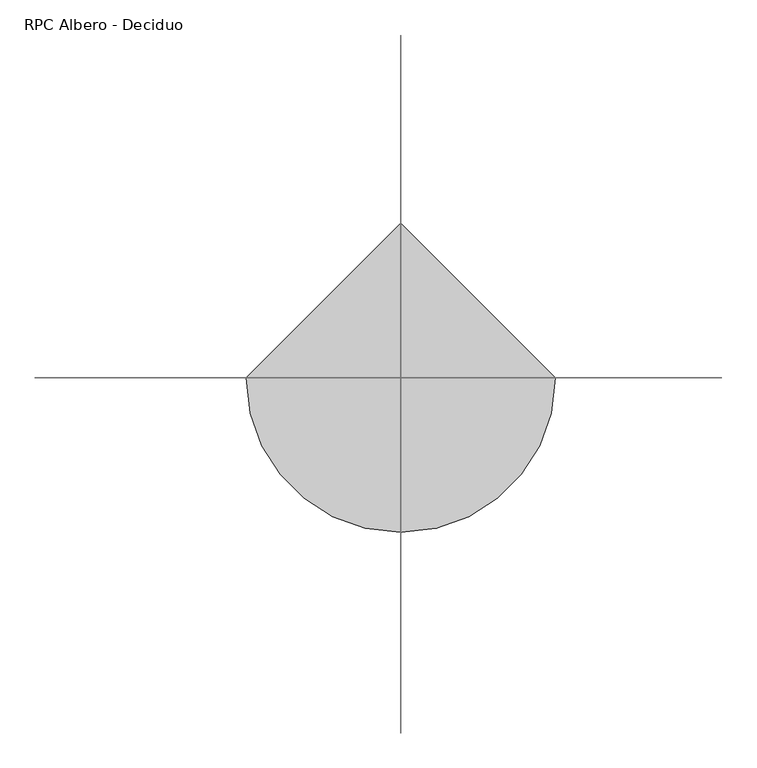
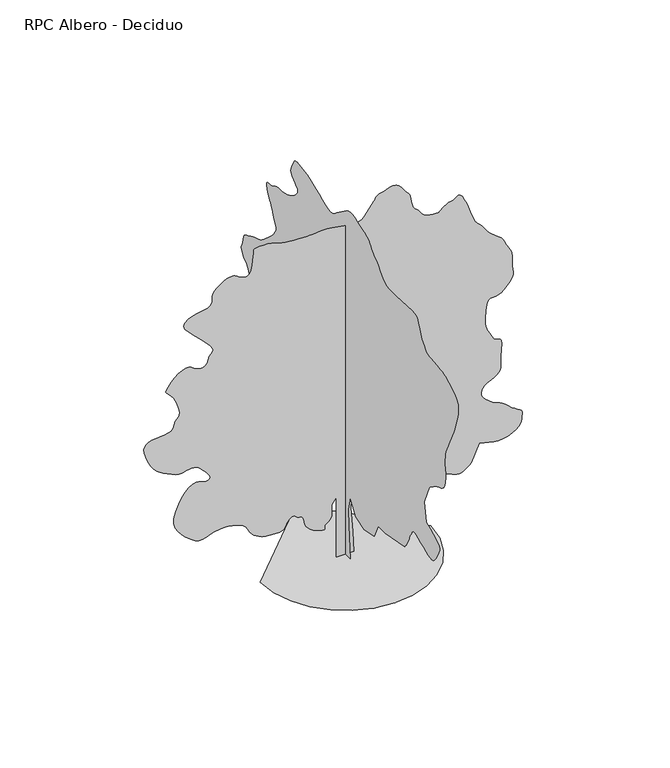
"""IFC4 building model written with IfcOpenShell, lengths in millimetres: geographic element geometry, RPC Albero - Deciduo."""

from ifc_helpers import new_model, si_unit, origin, place, context, project, spatial, triangles, source, transform, mapped, element, save


def rpc_albero_deciduo_78a4568a(model_context):
    return source(origin(), model_context, "Body", "Tessellation", [
        triangles([(0.0172504, 306.0074844, 0.0), (0.0172504, -293.5650026, 0.0), (0.0172504, -196.8600042, 1141.1200275), (0.0172504, -177.5185068, 1682.6674953), (0.0172504, -293.5650026, 2185.5350567), (0.0172504, -603.0224945, 1682.6674953), (0.0172504, -1105.8875124, 1527.9400211), (0.0172504, -1686.1174301, 1663.3275421), (0.0172504, -1918.2099495, 2146.8525341), (0.0172504, -2324.3725124, 2146.8525341), (0.0172504, -3446.150116, 2359.6049549), (0.0172504, -3487.4249222, 2409.394939), (0.0172504, -3527.7000801, 2459.5225479), (0.0172504, -3565.9250725, 2510.3249702), (0.0172504, -3601.0999603, 2562.1500046), (0.0172504, -3632.2250954, 2615.3249565), (0.0172504, -3658.2749588, 2670.2000954), (0.0172504, -3678.2499023, 2727.0751122), (0.0172504, -3697.649881, 2785.6750237), (0.0172504, -3722.1251312, 2845.2748741), (0.0172504, -3750.8251236, 2905.7249634), (0.0172504, -3782.89991, 2966.8500114), (0.0172504, -3817.5251221, 3028.475029), (0.0172504, -3853.8249413, 3090.4500252), (0.0172504, -3890.9999977, 3152.5750122), (0.0172504, -3908.7000801, 3172.6499496), (0.0172504, -3933.1750397, 3188.8501236), (0.0172504, -3971.1750458, 3197.2499016), (0.0172504, -4029.4749756, 3193.9751015), (0.0172504, -4114.8499969, 3175.1500877), (0.0172504, -4234.0499886, 3136.8500999), (0.0172504, -4393.8501183, 3075.2250824), (0.0172504, -4562.5749939, 3002.6998581), (0.0172504, -4706.2499451, 2937.9750298), (0.0172504, -4828.2750549, 2886.4249786), (0.0172504, -4932.0251175, 2853.4999535), (0.0172504, -5020.8999252, 2844.5999153), (0.0172504, -5098.249855, 2865.125116), (0.0172504, -5167.5002792, 2920.4999336), (0.0172504, -5237.3750839, 3007.7251328), (0.0172504, -5309.5997452, 3113.9000473), (0.0172504, -5377.1002762, 3229.5499649), (0.0172504, -5432.7497864, 3345.1998825), (0.0172504, -5469.4498718, 3451.3750877), (0.0172504, -5480.1248016, 3538.6249947), (0.0172504, -5457.6250122, 3597.424894), (0.0172504, -5402.6498795, 3641.7000984), (0.0172504, -5323.3000717, 3691.0249947), (0.0172504, -5223.6747574, 3744.5999222), (0.0172504, -5107.774855, 3801.5499344), (0.0172504, -4979.7251129, 3861.0500816), (0.0172504, -4843.5499947, 3922.2251266), (0.0172504, -4703.3251236, 3984.2501198), (0.0172504, -4587.2749397, 4641.8500969), (0.0172504, -4877.3749649, 5318.7747665), (0.0172504, -4886.5249878, 5331.7001404), (0.0172504, -4900.7252838, 5347.4747589), (0.0172504, -4925.0999588, 5369.0251877), (0.0172504, -4964.6748688, 5399.20009), (0.0172504, -5024.5502838, 5440.8498734), (0.0172504, -5109.8247299, 5496.8999405), (0.0172504, -5225.5252258, 5570.225116), (0.0172504, -5351.0501221, 5636.6501312), (0.0172504, -5462.3497238, 5680.0498077), (0.0172504, -5559.4501923, 5715.3499786), (0.0172504, -5642.3497833, 5757.424736), (0.0172504, -5711.0252426, 5821.1499161), (0.0172504, -5765.4998245, 5921.4001923), (0.0172504, -5805.7502747, 6073.0752365), (0.0172504, -5829.0500153, 6222.0498642), (0.0172504, -5835.7501877, 6317.5748474), (0.0172504, -5830.6249191, 6379.6001312), (0.0172504, -5818.3750854, 6428.1000778), (0.0172504, -5803.7748138, 6483.0252136), (0.0172504, -5791.5499786, 6564.3249023), (0.0172504, -5786.4247101, 6692.0002487), (0.0172504, -5788.2251816, 6832.849791), (0.0172504, -5796.1252808, 6949.6752182), (0.0172504, -5813.8247818, 7056.3751007), (0.0172504, -5845.0502014, 7166.7747574), (0.0172504, -5893.550148, 7294.7750839), (0.0172504, -5963.0249771, 7454.2502335), (0.0172504, -6057.1750443, 7659.049942), (0.0172504, -6146.5748199, 7844.1752701), (0.0172504, -6206.1752518, 7955.8748474), (0.0172504, -6246.4751175, 8024.9502823), (0.0172504, -6277.9999374, 8082.1752777), (0.0172504, -6311.225235, 8158.3502792), (0.0172504, -6356.599791, 8284.2751511), (0.0172504, -6424.6752869, 8490.6997604), (0.0172504, -6498.0248795, 8729.4997192), (0.0172504, -6547.3747742, 8935.1499573), (0.0172504, -6565.2498459, 9112.3751862), (0.0172504, -6544.199968, 9265.925116), (0.0172504, -6476.8250107, 9400.5250397), (0.0172504, -6355.6498489, 9520.9002502), (0.0172504, -6173.2249374, 9631.8248749), (0.0172504, -5996.2252762, 9723.0001236), (0.0172504, -5879.7998245, 9785.7747803), (0.0172504, -5799.2250916, 9827.2001587), (0.0172504, -5729.8002594, 9854.4496582), (0.0172504, -5646.85009, 9874.575174), (0.0172504, -5525.6749283, 9894.699527), (0.0172504, -5341.575119, 9921.9501892), (0.0172504, -5144.0999634, 9943.4244598), (0.0172504, -4990.9500092, 9951.725116), (0.0172504, -4869.5998581, 9962.0244873), (0.0172504, -4767.5499825, 9989.5995483), (0.0172504, -4672.2499855, 10049.6505341), (0.0172504, -4571.2000488, 10157.425351), (0.0172504, -4451.8750648, 10328.0998169), (0.0172504, -4347.6750298, 10515.7499908), (0.0172504, -4286.1000092, 10666.5500885), (0.0172504, -4245.8501404, 10783.8254883), (0.0172504, -4205.5749825, 10871.0003998), (0.0172504, -4143.9999619, 10931.4501984), (0.0172504, -4039.7999268, 10968.5502594), (0.0172504, -3871.650016, 10985.7003754), (0.0172504, -2943.2749969, 10927.6748474), (0.0172504, -2772.1499771, 10930.6746643), (0.0172504, -2632.8250511, 10930.2746887), (0.0172504, -2514.4500092, 10937.3254211), (0.0172504, -2406.244986, 10962.6250397), (0.0172504, -2297.3600624, 11017.0496246), (0.0172504, -2176.9724979, 11111.3752625), (0.0172504, -2034.2550465, 11256.4745453), (0.0172504, -1896.7275398, 11403.0249023), (0.0172504, -1793.7050491, 11502.8746216), (0.0172504, -1717.0749882, 11568.5752625), (0.0172504, -1658.7125622, 11612.6248993), (0.0172504, -1610.5025688, 11647.5250946), (0.0172504, -1564.320068, 11685.7995026), (0.0172504, -1512.0500027, 11739.9996826), (0.0172504, -1461.8649845, 11804.0004272), (0.0172504, -1420.8125484, 11863.6002777), (0.0172504, -1379.087479, 11919.1503754), (0.0172504, -1326.8724976, 11970.9495392), (0.0172504, -1254.3574471, 12019.4000702), (0.0172504, -1151.7299904, 12064.7996246), (0.0172504, -1009.182514, 12107.4749268), (0.0172504, -849.1549999, 12154.4999634), (0.0172504, -699.9524792, 12206.6002716), (0.0172504, -560.5600064, 12254.6496643), (0.0172504, -429.9675053, 12289.4998627), (0.0172504, -307.1550161, 12302.0246796), (0.0172504, -191.1079934, 12283.0746735), (0.0172504, -80.8134993, 12223.5248199), (0.0172504, 499.4175176, 11798.0252106), (0.0172504, 562.2325061, 11740.8496307), (0.0172504, 623.0199657, 11688.7504852), (0.0172504, 689.217524, 11646.7751404), (0.0172504, 768.2749804, 11620.0500275), (0.0172504, 867.630035, 11613.6248383), (0.0172504, 994.7275097, 11632.5748444), (0.0172504, 1157.0125168, 11681.9753174), (0.0172504, 1341.1749676, 11755.3254913), (0.0172504, 1526.6899521, 11837.8251068), (0.0172504, 1710.1749733, 11922.0246185), (0.0172504, 1888.2475342, 12000.4500641), (0.0172504, 2057.5249924, 12065.6995697), (0.0172504, 2214.6200546, 12110.3003357), (0.0172504, 2356.1550201, 12126.8249084), (0.0172504, 2484.8875694, 12135.849939), (0.0172504, 2604.4750374, 12156.3754303), (0.0172504, 2712.9251038, 12178.575238), (0.0172504, 2808.1501053, 12192.6755402), (0.0172504, 2888.1748718, 12188.8501923), (0.0172504, 2950.9251114, 12157.2753754), (0.0172504, 2994.400074, 12088.1249451), (0.0172504, 3033.2500282, 12001.2500153), (0.0172504, 3077.8499222, 11921.1246735), (0.0172504, 3119.7499809, 11845.0502472), (0.0172504, 3150.5001389, 11770.3245758), (0.0172504, 3161.6000427, 11694.2745667), (0.0172504, 3144.6249161, 11614.1503876), (0.0172504, 3091.124984, 11527.2498779), (0.0172504, 3009.2500397, 11447.6245056), (0.0172504, 2921.5998665, 11385.2504059), (0.0172504, 2841.4251091, 11331.3502075), (0.0172504, 2781.8749649, 11277.1000305), (0.0172504, 2756.1750801, 11213.7248291), (0.0172504, 2777.4749428, 11132.4251404), (0.0172504, 2859.0249069, 11024.3747589), (0.0172504, 2971.6250107, 10916.7255157), (0.0172504, 3077.7999252, 10838.2000763), (0.0172504, 3178.2249001, 10782.3), (0.0172504, 3273.574894, 10742.6745117), (0.0172504, 3364.5248657, 10712.8251709), (0.0172504, 3451.7750633, 10686.4000397), (0.0172504, 3535.9498672, 10656.8995148), (0.0172504, 3620.024968, 10634.1753204), (0.0172504, 3706.4749237, 10626.6746155), (0.0172504, 3795.2750267, 10625.9502411), (0.0172504, 3886.4499847, 10623.5248077), (0.0172504, 3980.0000885, 10610.9499939), (0.0172504, 4075.9250473, 10579.7495728), (0.0172504, 4174.1998627, 10521.5252197), (0.0172504, 4275.775058, 10469.80047), (0.0172504, 4375.6250679, 10451.2504395), (0.0172504, 4465.0001358, 10446.8995422), (0.0172504, 4535.0999268, 10437.8245148), (0.0172504, 4577.0999794, 10405.075351), (0.0172504, 4582.2249573, 10329.6753021), (0.0172504, 4541.7001053, 10192.7255219), (0.0172504, 4481.7999825, 10048.5994354), (0.0172504, 4432.0751106, 9951.4995483), (0.0172504, 4388.424868, 9882.1247131), (0.0172504, 4346.8250816, 9821.224942), (0.0172504, 4303.1751297, 9749.5002502), (0.0172504, 4253.4249687, 9647.6750702), (0.0172504, 4193.550135, 9496.4499985), (0.0172504, 4130.2749275, 9347.6997757), (0.0172504, 4075.8250534, 9253.7502777), (0.0172504, 4034.1999779, 9195.999733), (0.0172504, 4009.500032, 9155.8498581), (0.0172504, 4005.7749687, 9114.7000443), (0.0172504, 4027.1001205, 9053.900267), (0.0172504, 4077.4999512, 8954.8999146), (0.0172504, 4167.2249977, 8823.6747849), (0.0172504, 4293.1248711, 8684.3501495), (0.0172504, 4439.3499573, 8545.349913), (0.0172504, 4589.9500671, 8415.1497208), (0.0172504, 4729.0750053, 8302.2002197), (0.0172504, 4840.7748734, 8214.9747299), (0.0172504, 4909.1747681, 8161.9000626), (0.0172504, 4969.9001312, 8128.6997635), (0.0172504, 5061.0747986, 8095.1500671), (0.0172504, 5170.5250946, 8060.9248306), (0.0172504, 5286.0750183, 8025.675238), (0.0172504, 5395.524733, 7989.0751465), (0.0172504, 5486.6999817, 7950.8001572), (0.0172504, 5547.4247635, 7910.4747116), (0.0172504, 5598.275148, 7876.9750122), (0.0172504, 5663.0252655, 7853.2997131), (0.0172504, 5734.1749924, 7830.2999542), (0.0172504, 5804.3247803, 7798.8251312), (0.0172504, 5866.0250839, 7749.7752182), (0.0172504, 5911.8001968, 7673.9751938), (0.0172504, 5934.2499893, 7562.325032), (0.0172504, 5952.6250305, 7450.1749008), (0.0172504, 5984.1998474, 7370.8500916), (0.0172504, 6018.4750809, 7312.1501862), (0.0172504, 6045.000206, 7261.899765), (0.0172504, 6053.2252853, 7207.9501511), (0.0172504, 6032.699794, 7138.074765), (0.0172504, 5972.9249542, 7040.1249298), (0.0172504, 5898.7248322, 6948.3747162), (0.0172504, 5838.7250061, 6893.5251572), (0.0172504, 5788.2001831, 6857.9500031), (0.0172504, 5742.4000717, 6824.0497467), (0.0172504, 5696.6249588, 6774.2498795), (0.0172504, 5646.1001358, 6690.9747299), (0.0172504, 5586.0997284, 6556.5997925), (0.0172504, 5520.7002319, 6421.9998688), (0.0172504, 5460.6998245, 6337.1498154), (0.0172504, 5411.5249191, 6283.075209), (0.0172504, 5378.6001846, 6240.824881), (0.0172504, 5367.3247101, 6191.4999847), (0.0172504, 5383.09991, 6116.0999359), (0.0172504, 5431.3748703, 5995.7247253), (0.0172504, 5495.5000259, 5864.0502045), (0.0172504, 5555.8748291, 5761.8250488), (0.0172504, 5613.5747955, 5680.5747757), (0.0172504, 5669.5498672, 5611.8249023), (0.0172504, 5724.8749786, 5547.1497803), (0.0172504, 5780.5250702, 5478.0749268), (0.0172504, 5837.5250793, 5396.1502762), (0.0172504, 5903.6751114, 5315.3499756), (0.0172504, 5980.6500641, 5249.4249298), (0.0172504, 6060.324852, 5189.6000931), (0.0172504, 6134.5999695, 5127.0498413), (0.0172504, 6195.3247513, 5053.0252899), (0.0172504, 6234.4002731, 4958.675235), (0.0172504, 6243.7002869, 4835.2499199), (0.0172504, 6251.5248093, 4738.3250221), (0.0172504, 6280.349794, 4706.349939), (0.0172504, 6313.2251129, 4704.825032), (0.0172504, 6333.2500534, 4699.2500816), (0.0172504, 6323.4750687, 4655.0998695), (0.0172504, 6267.0500244, 4537.8750481), (0.0172504, 6146.999794, 4313.0501083), (0.0172504, 6021.4748978, 4060.8750938), (0.0172504, 5945.6998718, 3875.3750793), (0.0172504, 5898.3248566, 3742.6250427), (0.0172504, 5858.0749878, 3648.7999557), (0.0172504, 5803.5998245, 3580.0000854), (0.0172504, 5713.6000854, 3522.3751144), (0.0172504, 5566.7747452, 3462.0500175), (0.0172504, 5397.250209, 3413.1000984), (0.0172504, 5248.0500137, 3392.5748978), (0.0172504, 5111.025238, 3390.9999939), (0.0172504, 4978.0752136, 3398.9000931), (0.0172504, 4841.0498566, 3406.7749031), (0.0172504, 4691.8499519, 3405.1999992), (0.0172504, 4522.3501236, 3384.6750893), (0.0172504, 4353.2999771, 3366.3000481), (0.0172504, 4207.2498802, 3370.2500977), (0.0172504, 4078.7998718, 3385.7000267), (0.0172504, 3962.5249924, 3401.8249146), (0.0172504, 3853.0249901, 3407.8001312), (0.0172504, 3744.8749054, 3392.799884), (0.0172504, 3632.6500694, 3346.0001244), (0.0172504, 3525.249939, 3296.2499634), (0.0172504, 3436.4251282, 3270.2000999), (0.0172504, 3368.249929, 3253.6249489), (0.0172504, 3322.75009, 3232.3250862), (0.0172504, 3301.9499062, 3192.0499283), (0.0172504, 3307.8751259, 3118.6500481), (0.0172504, 3342.5500443, 2997.8498634), (0.0172504, 3398.475119, 2869.5251381), (0.0172504, 3465.5750931, 2778.7248665), (0.0172504, 3542.0000793, 2719.2500084), (0.0172504, 3625.8499031, 2684.8000763), (0.0172504, 3715.274968, 2669.1248703), (0.0172504, 3808.4250961, 2665.9500641), (0.0172504, 3903.4251114, 2669.0498749), (0.0172504, 4270.9250633, 2262.8999565), (0.0172504, 4299.7250496, 2217.1674282), (0.0172504, 4327.3501076, 2170.5925095), (0.0172504, 4352.6250183, 2122.3249615), (0.0172504, 4374.3248566, 2071.5174522), (0.0172504, 4391.2999832, 2017.3300621), (0.0172504, 4402.3498901, 1958.9125523), (0.0172504, 4406.2999397, 1895.4200615), (0.0172504, 4405.6249809, 1829.2200325), (0.0172504, 4400.8999786, 1763.6974331), (0.0172504, 4388.0248924, 1699.5299835), (0.0172504, 4362.9999664, 1637.3900265), (0.0172504, 4321.7248695, 1577.9574623), (0.0172504, 4260.1501396, 1521.9075405), (0.0172504, 4174.1998627, 1469.9175453), (0.0172504, 4092.2249245, 1425.7650078), (0.0172504, 4034.5999535, 1391.4249527), (0.0172504, 3985.4250481, 1364.8675621), (0.0172504, 3928.800016, 1344.0599659), (0.0172504, 3848.8499542, 1326.9749622), (0.0172504, 3729.6499626, 1311.5799717), (0.0172504, 3555.3001396, 1295.8475018), (0.0172504, 3356.9750359, 1298.1024513), (0.0172504, 3174.2251442, 1332.8375404), (0.0172504, 3003.6500908, 1392.27243), (0.0172504, 2841.8750816, 1468.6199501), (0.0172504, 2685.525032, 1554.1049938), (0.0172504, 2531.1748604, 1640.9425713), (0.0172504, 2375.4949734, 1721.3500179), (0.0172504, 2236.6675461, 1794.4849434), (0.0172504, 2129.3050587, 1863.5599422), (0.0172504, 2044.6099377, 1926.8850014), (0.0172504, 1973.7875164, 1982.7650208), (0.0172504, 1908.0399307, 2029.5099873), (0.0172504, 1838.5700432, 2065.4300331), (0.0172504, 1756.5824604, 2088.8300583), (0.0172504, 1666.4174698, 2108.5650455), (0.0172504, 1577.6074837, 2133.0375343), (0.0172504, 1489.134977, 2159.8799366), (0.0172504, 1399.9875114, 2186.7200134), (0.0172504, 1309.1449459, 2211.1925022), (0.0172504, 1215.5975309, 2230.9274895), (0.0172504, 1118.3299942, 2243.5575325), (0.0172504, 1018.8625191, 2250.1549496), (0.0172504, 919.3925005, 2253.7074944), (0.0172504, 819.9250254, 2254.7225487), (0.0172504, 720.4574776, 2253.7074944), (0.0172504, 620.9900024, 2251.1700039), (0.0172504, 521.5199839, 2247.6174591), (0.0172504, 422.0525087, 2243.5575325), (0.0172504, 228.6430025, 1953.4425373), (0.0172504, 189.960498, 1508.6000679), (280.4450004, 0.0006008, 0.0092122), (-299.7850081, 0.0006008, 0.0092122), (-299.7850081, 0.0004756, 2127.5199932), (-454.5149895, 0.0004756, 1914.7700432), (-454.5149895, 0.0005007, 1682.6775238), (-450.9625174, 0.0005007, 1628.8274677), (-450.9625174, 0.0005007, 1575.1449886), (-458.0674979, 0.0005007, 1521.8024597), (-475.8274967, 0.0005257, 1468.967458), (-507.8000001, 0.0005257, 1416.8100311), (-557.5350094, 0.0005257, 1365.4949947), (-628.5824896, 0.0005257, 1315.1974834), (-684.2375227, 0.0005257, 1262.982502), (-699.6325132, 0.0005257, 1210.0900183), (-696.0799685, 0.0005257, 1162.9524885), (-694.8950117, 0.0005257, 1127.990015), (-717.3950191, 0.0005257, 1111.6375248), (-784.8900272, 0.0005257, 1120.3225325), (-918.6974848, 0.0005257, 1160.4700092), (-1071.3399845, 0.0005257, 1223.0050003), (-1185.4125275, 0.0005257, 1293.6575191), (-1267.3425556, 0.0005257, 1371.0799736), (-1323.5625252, 0.0005257, 1453.9125629), (-1360.49748, 0.0005007, 1540.8049335), (-1384.5749348, 0.0005007, 1630.4049877), (-1402.2250202, 0.0005007, 1721.3600464), (-1406.7350647, 0.0005007, 1746.1124599), (-1413.4449749, 0.0005007, 1770.19006), (-1424.5524364, 0.0005007, 1792.9174519), (-1442.2599312, 0.0005007, 1813.6099388), (-1468.7600578, 0.0005007, 1831.5975037), (-1506.2599491, 0.0005007, 1846.2025715), (-1556.9524944, 0.0005007, 1856.7475674), (-1607.6450397, 0.0005007, 1874.1124958), (-1647.5100483, 0.0005007, 1903.3224861), (-1682.3025467, 0.0004756, 1934.9000645), (-1717.7700039, 0.0004756, 1959.3725533), (-1759.6674465, 0.0004756, 1967.2675655), (-1813.7424889, 0.0004756, 1949.1099529), (-1885.7500122, 0.0005007, 1895.4274738), (-1949.0724552, 0.0005007, 1820.3199944), (-1984.9925011, 0.0005007, 1746.902528), (-2011.1000645, 0.0005007, 1679.2374722), (-2044.9875309, 0.0005007, 1621.382428), (-2104.2525181, 0.0005007, 1577.4025543), (-2206.4824699, 0.0005007, 1551.3499294), (-2369.2750042, 0.0005007, 1547.2900028), (-2549.149926, 0.0005007, 1559.2449417), (-2695.2000229, 0.0005007, 1578.979929), (-2813.8250496, 0.0005007, 1607.1750103), (-2911.4999016, 0.0005007, 1644.5025284), (-2994.6250603, 0.0005007, 1691.6425289), (-3069.600135, 0.0005007, 1749.2724415), (-3142.9250198, 0.0005007, 1818.0650448), (-3205.1000038, 0.0005007, 1893.5100037), (-3249.7248962, 0.0004756, 1969.2975288), (-3287.549913, 0.0004756, 2043.389954), (-3329.4499718, 0.0004756, 2113.7625481), (-3386.2249947, 0.0004756, 2178.3824409), (-3468.7249008, 0.0004756, 2235.2224308), (-3587.7499031, 0.0004756, 2282.2499382), (-3707.4248657, 0.0004756, 2317.9974655), (-3794.2500893, 0.0004506, 2343.2600224), (-3862.8249733, 0.0004506, 2359.3875263), (-3927.6750847, 0.0004506, 2367.7325111), (-4003.3251183, 0.0004506, 2369.6499813), (-4104.3750549, 0.0004506, 2366.4924706), (-4245.3498802, 0.0004506, 2359.6125126), (-4400.3500122, 0.0004506, 2335.1974331), (-4538.1250328, 0.0004756, 2289.8050003), (-4665.0501343, 0.0004756, 2240.3524956), (-4787.5749229, 0.0004756, 2203.7574909), (-4912.1501678, 0.0004756, 2196.9349422), (-5045.1501892, 0.0004756, 2236.7999508), (-5193.0498825, 0.0004506, 2340.2725594), (-5347.7997391, 0.0004506, 2478.6475433), (-5490.6747391, 0.0004506, 2615.9999153), (-5612.2498764, 0.0004256, 2758.4499413), (-5703.0251495, 0.0004256, 2912.049868), (-5753.5499725, 0.0004256, 3082.8999046), (-5754.3499237, 0.0004005, 3277.0999695), (-5695.9250015, 0.0004005, 3500.7249825), (-5598.1501556, 0.0003755, 3726.2748779), (-5489.1998291, 0.0003755, 3919.6999901), (-5372.1499969, 0.0003505, 4077.2499664), (-5250.0248932, 0.0003505, 4195.2000343), (-5125.8499146, 0.0003505, 4269.8501289), (-5002.6998734, 0.0003505, 4297.4998947), (-4883.6001663, 0.0003505, 4274.3751434), (-4771.2750458, 0.0003505, 4235.4749016), (-4671.8250114, 0.0003505, 4218.8750427), (-4593.3248611, 0.0003505, 4225.6499199), (-4543.9249695, 0.0003505, 4256.7750549), (-4531.7501312, 0.0003505, 4313.2750946), (-4564.9001427, 0.0003505, 4396.1749763), (-4651.5000893, 0.0003254, 4506.4749298), (-4752.500029, 0.0003254, 4617.0998634), (-4829.4749817, 0.0003254, 4702.3498924), (-4891.5502625, 0.0003254, 4765.2751213), (-4947.8747314, 0.0003254, 4808.9250732), (-5007.6001556, 0.0003254, 4836.325145), (-5079.8248169, 0.0003004, 4850.5498581), (-5173.7248993, 0.0003004, 4854.5999016), (-5270.0248352, 0.0003254, 4845.5248741), (-5349.7751999, 0.0003254, 4824.5999886), (-5422.3998367, 0.0003254, 4801.3249557), (-5497.39991, 0.0003254, 4785.1250725), (-5584.2248428, 0.0003254, 4785.5250481), (-5692.3752182, 0.0003254, 4811.9748871), (-5831.3248764, 0.0003004, 4873.9498833), (-5978.7751785, 0.0003004, 4948.0997177), (-6108.6248108, 0.0003004, 5012.4248611), (-6224.6252884, 0.0003004, 5078.4748993), (-6330.4502243, 0.0003004, 5157.6997147), (-6429.8749695, 0.0003004, 5261.5997681), (-6526.574881, 0.0002754, 5401.7249359), (-6624.2997299, 0.0002754, 5589.5750977), (-6705.1000305, 0.0002503, 5784.4998276), (-6749.7002151, 0.0002503, 5941.2001465), (-6759.8001801, 0.0002503, 6064.0752045), (-6737.074823, 0.0002253, 6157.4997345), (-6683.2252029, 0.0002253, 6225.9002106), (-6599.9500534, 0.0002253, 6273.6502029), (-6488.899855, 0.0002253, 6305.1750229), (-6357.7997177, 0.0002253, 6323.2750809), (-6219.2750336, 0.0002253, 6333.9500107), (-6082.4002487, 0.0002253, 6346.2748398), (-5956.3748016, 0.0002253, 6369.4501694), (-5850.3248795, 0.0002253, 6412.5998611), (-5773.3499268, 0.0002253, 6484.8251038), (-5734.5999664, 0.0002003, 6595.2997559), (-5705.9749695, 0.0002003, 6701.9752213), (-5661.749762, 0.0002003, 6771.4500504), (-5614.8497177, 0.0002003, 6825.7002274), (-5578.0752182, 0.0002003, 6886.6999924), (-5564.3248947, 0.0001752, 6976.4747452), (-5586.4252899, 0.0001752, 7116.9998886), (-5657.2500366, 0.0001752, 7330.2502441), (-5757.5497284, 0.0001502, 7540.3002136), (-5853.4752686, 0.0001502, 7672.5252823), (-5935.8498917, 0.0001502, 7750.975145), (-5995.5747345, 0.0001252, 7799.6250824), (-6023.4747757, 0.0001252, 7842.5247894), (-6010.4499893, 0.0001252, 7903.7251236), (-5947.3497711, 0.0001252, 8007.2002029), (-5845.6501648, 0.0001252, 8136.3248795), (-5728.0247864, 0.0001001, 8253.9502579), (-5602.2749039, 0.0001001, 8353.3000076), (-5476.1750427, 0.0001001, 8427.6251221), (-5357.5497253, 0.0001001, 8470.1248535), (-5254.1252243, 0.0001001, 8474.0751938), (-5173.7248993, 0.0001001, 8432.6998123), (-5094.9000595, 0.0001001, 8371.00009), (-4997.8001724, 0.0001001, 8322.8501221), (-4892.5751999, 0.0001001, 8294.6500992), (-4789.3751038, 0.0001001, 8292.850209), (-4698.375135, 0.0001001, 8323.8750595), (-4629.6999664, 0.0001001, 8394.1248413), (-4593.5001411, 0.0001001, 8510.0497421), (-4560.3251312, 0.0001001, 8620.5749725), (-4508.2251137, 7.51e-05, 8686.1000427), (-4458.4999512, 7.51e-05, 8730.3002518), (-4432.4500877, 7.51e-05, 8776.8747345), (-4451.4000938, 7.51e-05, 8849.4999527), (-4536.6501228, 7.51e-05, 8971.8750412), (-4709.5500343, 5.01e-05, 9167.6497192), (-4926.3498825, 5.01e-05, 9388.800174), (-5120.1502625, 2.5e-05, 9575.0998489), (-5277.4249649, 2.5e-05, 9731.9751572), (-5384.5998184, 2.5e-05, 9864.8246063), (-5428.2000641, 0.0, 9979.0746094), (-5394.6497864, 0.0, 10080.1254181), (-5270.4248108, 0.0, 10173.3755402), (-5104.7500397, 0.0, 10245.2246429), (-4956.3497955, 0.0, 10286.2744629), (-4825.8749107, 0.0, 10308.3754395), (-4714.0000534, -2.5e-05, 10323.3745239), (-4621.3998917, -2.5e-05, 10343.1000641), (-4548.7749641, -2.5e-05, 10379.4245911), (-4496.7749405, -2.5e-05, 10444.1497101), (-4470.8500694, -2.5e-05, 10520.7252686), (-4466.9000198, -2.5e-05, 10587.8246613), (-4471.4000359, -2.5e-05, 10650.1999237), (-4470.8500694, -2.5e-05, 10712.5751862), (-4451.6750771, -5.01e-05, 10779.6745789), (-4400.3500122, -5.01e-05, 10856.2501373), (-4303.3751175, -5.01e-05, 10947.0248291), (-4184.6750954, -5.01e-05, 11036.8495789), (-4076.1250351, -5.01e-05, 11106.7255463), (-3976.0500389, -7.51e-05, 11155.60047), (-3882.7249214, -7.51e-05, 11182.4999908), (-3794.4750755, -7.51e-05, 11186.3997528), (-3709.6000237, -7.51e-05, 11166.2498199), (-3626.4498665, -5.01e-05, 11121.1002502), (-3540.7248665, -5.01e-05, 11065.9001312), (-3452.3250298, -5.01e-05, 11022.8748505), (-3365.6000908, -5.01e-05, 11001.8249725), (-3284.9500717, -5.01e-05, 11012.5998962), (-3214.7999931, -5.01e-05, 11064.9746063), (-3159.5498772, -7.51e-05, 11168.7996643), (-3123.5750381, -7.51e-05, 11333.8500549), (-3102.0998955, -7.51e-05, 11511.0752838), (-3086.6999634, -0.0001001, 11648.0250641), (-3076.3750122, -0.0001001, 11749.4746857), (-3070.125103, -0.0001001, 11820.1250244), (-3066.9000092, -0.0001001, 11864.7246277), (-3065.7250809, -0.0001001, 11888.025531), (-3065.5500916, -0.0001001, 11894.7251221), (-3040.1248993, -0.0001001, 11898.674881), (-2971.0500458, -0.0001001, 11907.3755127), (-2869.1498703, -0.0001001, 11916.0505646), (-2745.2748734, -0.0001001, 11920.0003235), (-2610.2249771, -0.0001001, 11914.4750793), (-2474.8323692, -0.0001001, 11894.7251221), (-2349.935051, -0.0001001, 11856.0495758), (-2235.4100647, -0.0001001, 11813.0254578), (-2120.5474537, -0.0001001, 11781.8494537), (-2000.2725277, -0.0001001, 11760.1251984), (-1869.5075443, -0.0001001, 11745.5249268), (-1723.1824642, -0.0001001, 11735.675528), (-1556.2175102, -0.0001001, 11728.174823), (-1363.5400269, -0.0001001, 11720.6752808), (-1177.5749971, -0.0001001, 11719.599765), (-1024.4249702, -0.0001001, 11728.6747925), (-889.5449764, -0.0001001, 11741.475174), (-758.3875025, -0.0001001, 11751.5745575), (-616.4050352, -0.0001001, 11752.5244995), (-449.0450109, -0.0001001, 11737.9253906), (-241.763259, -0.0001001, 11701.3252991), (-32.2257492, -0.0001001, 11657.8000488), (136.7125037, -0.0001001, 11627.7995544), (271.8174929, -0.0001001, 11613.0248749), (379.8574825, -0.0001001, 11615.1503265), (467.5975121, -0.0001001, 11635.9246399), (541.8025031, -0.0001001, 11676.9744598), (609.2425, -0.0001001, 11739.9996826), (899.3575315, -0.0001252, 12107.4749268), (942.8899761, -0.0001252, 12164.1505371), (977.6249926, -0.0001252, 12217.4496094), (1008.9749685, -0.0001252, 12266.3245331), (1042.3575239, -0.0001252, 12309.7997864), (1083.1825029, -0.0001252, 12346.8498505), (1136.864982, -0.0001252, 12376.4503693), (1208.8150234, -0.0001252, 12397.6002411), (1297.0049892, -0.0001502, 12421.8499237), (1393.3149536, -0.0001502, 12454.2246918), (1494.0224693, -0.0001502, 12483.8752075), (1595.4100307, -0.0001502, 12499.9998047), (1693.7499584, -0.0001502, 12491.7747253), (1785.3225666, -0.0001502, 12448.349469), (1866.410059, -0.0001252, 12358.9246948), (1938.4149662, -0.0001252, 12256.9251068), (2004.3324543, -0.0001252, 12177.5752991), (2062.8075188, -0.0001252, 12112.7746033), (2112.4850098, -0.0001252, 12054.4246765), (2152.0125389, -0.0001252, 11994.3748535), (2180.0375725, -0.0001001, 11924.5000488), (2195.2049606, -0.0001001, 11836.6995941), (2205.7499565, -0.0001001, 11745.7004974), (2220.3550243, -0.0001001, 11669.9248901), (2238.3424438, -0.0001001, 11606.8252533), (2259.0349308, -7.51e-05, 11553.8749969), (2281.7599972, -7.51e-05, 11508.5254395), (2305.8374519, -7.51e-05, 11468.2755707), (2330.5924816, -7.51e-05, 11430.5499664), (2355.6274361, -7.51e-05, 11413.5754211), (2381.680061, -7.51e-05, 11394.2254395), (2409.760033, -7.51e-05, 11370.1501648), (2440.8876389, -7.51e-05, 11338.9753235), (2476.0724098, -7.51e-05, 11298.3254791), (2516.3248947, -7.51e-05, 11245.8251953), (2562.6749725, -7.51e-05, 11179.1246155), (2631.3751396, -5.01e-05, 11115.7249969), (2728.4750267, -5.01e-05, 11072.3253204), (2839.7749191, -5.01e-05, 11045.1246552), (2951.0751022, -5.01e-05, 11030.4755493), (3048.1749893, -5.01e-05, 11024.6003265), (3116.8748657, -5.01e-05, 11023.8247925), (3142.9250198, -5.01e-05, 11024.4003387), (3156.2750771, -5.01e-05, 11038.3250702), (3192.9998703, -5.01e-05, 11074.2252045), (3247.9750031, -5.01e-05, 11123.3501129), (3316.1499115, -7.51e-05, 11176.8503357), (3392.4249069, -7.51e-05, 11225.9752441), (3471.7750053, -7.51e-05, 11261.8997955), (3549.0749382, -7.51e-05, 11275.824527), (3618.3750687, -7.51e-05, 11292.800235), (3679.5501137, -7.51e-05, 11331.0746429), (3736.350135, -7.51e-05, 11371.7244873), (3792.4499084, -7.51e-05, 11395.8253418), (3851.6000771, -7.51e-05, 11384.3748779), (3917.5251228, -7.51e-05, 11318.4498322), (3993.9251106, -7.51e-05, 11179.1246155), (4065.8750793, -5.01e-05, 11015.4253052), (4119.5500008, -5.01e-05, 10883.1996552), (4160.3751251, -5.01e-05, 10773.6249481), (4193.7501228, -2.5e-05, 10677.9505554), (4225.0999535, -2.5e-05, 10587.3246918), (4259.8498672, -2.5e-05, 10493.0002167), (4303.3751175, -2.5e-05, 10386.1253448), (4348.1000038, 0.0, 10292.3496735), (4386.3749931, 0.0, 10232.749823), (4423.6500435, 0.0, 10191.7755798), (4465.325116, 0.0, 10153.8255707), (4516.799881, 0.0, 10103.3495819), (4583.4998795, 0.0, 10024.7997253), (4670.850071, 0.0, 9902.6002075), (4778.3749031, 2.5e-05, 9766.6003693), (4896.3999664, 2.5e-05, 9652.9247498), (5016.4501968, 2.5e-05, 9555.474884), (5130.075238, 5.01e-05, 9468.1999786), (5228.8000259, 5.01e-05, 9384.974826), (5304.2000748, 5.01e-05, 9299.6997986), (5347.7997391, 5.01e-05, 9206.3252655), (5382.0249756, 5.01e-05, 9114.7500412), (5429.774968, 7.51e-05, 9032.6498199), (5483.3001892, 7.51e-05, 8950.5501801), (5534.7749542, 7.51e-05, 8858.9749557), (5576.449736, 7.51e-05, 8748.4747238), (5600.5250107, 0.0001001, 8609.5250656), (5599.22509, 0.0001001, 8432.6998123), (5596.5752518, 0.0001001, 8262.7497208), (5611.174942, 0.0001252, 8138.7997284), (5627.1251312, 0.0001252, 8042.949765), (5628.5500443, 0.0001252, 7957.224765), (5599.5000732, 0.0001252, 7863.750238), (5524.1250229, 0.0001502, 7744.5249573), (5386.4752853, 0.0001502, 7581.6750137), (5223.124791, 0.0001502, 7444.9502197), (5081.4247192, 0.0001502, 7390.0750809), (4961.7000504, 0.0001502, 7378.1752258), (4864.3248894, 0.0001502, 7370.3501221), (4789.60009, 0.0001752, 7327.6498215), (4737.9000481, 0.0001752, 7211.2249512), (4709.5250359, 0.0001752, 6982.1249817), (4698.9251015, 0.0002003, 6728.5997589), (4700.5250038, 0.0002003, 6550.1751846), (4714.6000168, 0.0002253, 6424.9002731), (4741.5751144, 0.0002253, 6330.7252075), (4781.7249893, 0.0002253, 6245.7001648), (4835.3999107, 0.0002253, 6147.7997452), (4902.950148, 0.0002503, 6015.0752884), (4980.0250946, 0.0002503, 5899.6497757), (5057.7999985, 0.0002503, 5847.1500732), (5129.8002548, 0.0002503, 5825.7752151), (5189.6250916, 0.0002503, 5803.7248169), (5230.8499008, 0.0002503, 5749.200238), (5247.0250763, 0.0002754, 5630.3749329), (5231.7498459, 0.0002754, 5415.5002579), (5210.9999496, 0.0003004, 5178.6001831), (5207.8251434, 0.0003004, 5005.3247131), (5211.4499222, 0.0003004, 4881.0997375), (5210.9999496, 0.0003254, 4791.3999802), (5195.6497238, 0.0003254, 4721.6498772), (5154.5999039, 0.0003254, 4657.3000259), (5077.0249878, 0.0003254, 4583.8248596), (4983.2998947, 0.0003254, 4514.9249954), (4900.3997223, 0.0003254, 4468.3499313), (4827.3251129, 0.0003254, 4435.6498924), (4763.0499664, 0.0003505, 4408.3501053), (4706.5499268, 0.0003505, 4378.0249214), (4656.8250549, 0.0003505, 4336.1748596), (4612.8251244, 0.0003505, 4274.3751434), (4577.8749321, 0.0003505, 4202.8248596), (4558.1249748, 0.0003505, 4135.32491), (4557.0000435, 0.0003505, 4068.8498978), (4577.8749321, 0.0003755, 4000.3250107), (4624.1000175, 0.0003755, 3926.7501411), (4699.1000908, 0.0003755, 3845.024897), (4806.2499458, 0.0003755, 3752.1750412), (4919.8002823, 0.0003755, 3670.8000664), (5016.1252167, 0.0003755, 3617.5001221), (5101.6002319, 0.0004005, 3580.1250778), (5182.6999329, 0.0004005, 3546.4750969), (5265.8000931, 0.0004005, 3504.3500519), (5357.374736, 0.0004005, 3441.5751045), (5463.8252151, 0.0004005, 3346.0001244), (5576.8497116, 0.0004005, 3247.2750458), (5681.0497467, 0.0004005, 3176.6249977), (5772.3999847, 0.0004256, 3124.2249985), (5846.8250931, 0.0004256, 3080.3000633), (5900.2747375, 0.0004256, 3035.0249199), (5928.6997467, 0.0004256, 2978.5748772), (5928.0247879, 0.0004256, 2901.1499519), (5916.924884, 0.0004256, 2813.2500847), (5910.1997131, 0.0004506, 2730.7498878), (5898.0748718, 0.0004506, 2651.975045), (5870.7247971, 0.0004506, 2575.2500771), (5818.350087, 0.0004506, 2498.8349739), (5731.1251785, 0.0004506, 2421.0750401), (5599.22509, 0.0004506, 2340.2725594), (5441.7248199, 0.0004756, 2274.8624531), (5284.2501297, 0.0004756, 2240.917432), (5126.7498596, 0.0004756, 2233.1924675), (4969.2501709, 0.0004756, 2246.4425308), (4811.7748993, 0.0004756, 2275.4250641), (4654.2749199, 0.0004756, 2314.8975094), (4496.7749405, 0.0004506, 2359.6125126), (4225.9998985, 0.0005007, 1760.042569), (4159.6498787, 0.0005007, 1702.5250042), (4092.9248817, 0.0005007, 1648.0549278), (4025.5499245, 0.0005007, 1599.675032), (3957.1500298, 0.0005007, 1560.4274277), (3887.3999268, 0.0005007, 1533.3625099), (3815.9499275, 0.0005007, 1521.5225349), (3742.4750519, 0.0005007, 1527.9500496), (3682.5999275, 0.0005007, 1542.5525013), (3644.6999153, 0.0005007, 1554.7899811), (3617.6501129, 0.0005007, 1567.0274609), (3590.2500412, 0.0005007, 1581.6300579), (3551.3250916, 0.0005007, 1600.9724819), (3489.750071, 0.0005007, 1627.4175247), (3394.3500801, 0.0005007, 1663.3375706), (3270.0751076, 0.0005007, 1715.4949974), (3134.2999649, 0.0005007, 1784.5699963), (2994.450071, 0.0005007, 1863.794957), (2857.9999695, 0.0004756, 1946.40256), (2732.3500809, 0.0004756, 2025.6275208), (2624.9999474, 0.0004756, 2094.7025196), (2543.3499893, 0.0004756, 2146.8625626), (2474.2126396, 0.0004756, 2192.817461), (2400.0074306, 0.0004756, 2246.8925034), (2321.5700672, 0.0004756, 2307.7374813), (2239.7525322, 0.0004506, 2373.9924488), (2155.3950359, 0.0004506, 2444.3074883), (2069.3475266, 0.0004506, 2517.3251244), (1982.4550106, 0.0004506, 2591.6999451), (1963.1124413, 0.0004256, 2881.8249687), (1576.2924477, 0.0004256, 2920.4999336), (880.0150349, 0.0004256, 2862.474987), (415.8325032, 0.0004506, 2611.0499268), (222.4215072, 0.0004756, 2146.8625626), (183.7397477, 0.0005007, 1605.3124786), (241.7622416, 0.0005507, 715.6274672), (-2855.9000977, 0.0, 0.0224297), (-2780.4000549, -654.3849844, 0.0224297), (-2565.3750984, -1255.3350037, 0.0224297), (-2228.0500488, -1785.6274899, 0.0224297), (-1785.6274899, -2228.0500488, 0.0224297), (-1255.3350037, -2565.3750984, 0.0224297), (-654.3849844, -2780.4000549, 0.0224297), (0.0001248, -2855.9000977, 0.0224297), (654.3849844, -2780.4000549, 0.0224297), (1255.3350037, -2565.3750984, 0.0224297), (1785.6274899, -2228.0500488, 0.0224297), (2228.0500488, -1785.6274899, 0.0224297), (2565.3750984, -1255.3350037, 0.0224297), (2780.4000549, -654.3849844, 0.0224297), (2855.9000977, 0.0002503, 0.0224297), (-0.0003745, 2855.9000977, 0.0224297)], [[1, 2, 3], [368, 1, 3], [368, 3, 4], [367, 368, 4], [367, 4, 5], [277, 278, 279], [366, 367, 5], [276, 277, 279], [276, 279, 280], [7, 8, 9], [6, 7, 9], [5, 6, 9], [315, 316, 317], [201, 202, 203], [200, 201, 203], [200, 203, 204], [199, 200, 204], [199, 204, 205], [198, 199, 205], [198, 205, 206], [198, 206, 207], [197, 198, 207], [197, 207, 208], [275, 276, 280], [196, 197, 208], [195, 196, 208], [194, 195, 208], [194, 208, 209], [193, 194, 209], [192, 193, 209], [192, 209, 210], [191, 192, 210], [191, 210, 211], [191, 211, 212], [190, 191, 212], [190, 212, 213], [190, 213, 214], [189, 190, 214], [189, 214, 215], [188, 189, 215], [187, 188, 215], [186, 187, 215], [10, 11, 12], [314, 315, 317], [10, 12, 13], [10, 13, 14], [10, 14, 15], [10, 15, 16], [10, 16, 17], [10, 17, 18], [10, 18, 19], [10, 19, 20], [10, 20, 21], [10, 21, 22], [185, 186, 215], [185, 215, 216], [275, 280, 281], [10, 22, 23], [167, 168, 169], [166, 167, 169], [165, 166, 169], [165, 169, 170], [164, 165, 170], [164, 170, 171], [163, 164, 171], [163, 171, 172], [163, 172, 173], [163, 173, 174], [163, 174, 175], [163, 175, 176], [163, 176, 177], [163, 177, 178], [163, 178, 179], [163, 179, 180], [162, 163, 180], [161, 162, 180], [160, 161, 180], [159, 160, 180], [159, 180, 181], [158, 159, 181], [157, 158, 181], [156, 157, 181], [156, 181, 182], [155, 156, 182], [154, 155, 182], [154, 182, 183], [9, 10, 23], [9, 23, 24], [9, 24, 25], [45, 46, 47], [44, 45, 47], [44, 47, 48], [43, 44, 48], [43, 48, 49], [42, 43, 49], [42, 49, 50], [41, 42, 50], [40, 41, 50], [40, 50, 51], [39, 40, 51], [38, 39, 51], [37, 38, 51], [36, 37, 51], [35, 36, 51], [34, 35, 51], [33, 34, 51], [33, 51, 52], [32, 33, 52], [32, 52, 53], [31, 32, 53], [30, 31, 53], [29, 30, 53], [28, 29, 53], [28, 53, 54], [27, 28, 54], [26, 27, 54], [5, 9, 25], [5, 25, 26], [5, 26, 54], [5, 54, 55], [366, 5, 55], [365, 366, 55], [364, 365, 55], [363, 364, 55], [362, 363, 55], [361, 362, 55], [361, 55, 56], [153, 154, 183], [153, 183, 184], [313, 314, 317], [360, 361, 56], [184, 185, 216], [153, 184, 216], [152, 153, 216], [152, 216, 217], [243, 244, 245], [242, 243, 245], [242, 245, 246], [241, 242, 246], [241, 246, 247], [241, 247, 248], [240, 241, 248], [240, 248, 249], [240, 249, 250], [239, 240, 250], [239, 250, 251], [238, 239, 251], [237, 238, 251], [236, 237, 251], [235, 236, 251], [234, 235, 251], [233, 234, 251], [232, 233, 251], [231, 232, 251], [230, 231, 251], [229, 230, 251], [228, 229, 251], [228, 251, 252], [227, 228, 252], [226, 227, 252], [226, 252, 253], [226, 253, 254], [226, 254, 255], [226, 255, 256], [226, 256, 257], [225, 226, 257], [224, 225, 257], [223, 224, 257], [222, 223, 257], [222, 257, 258], [221, 222, 258], [220, 221, 258], [115, 116, 117], [114, 115, 117], [114, 117, 118], [113, 114, 118], [113, 118, 119], [112, 113, 119], [111, 112, 119], [110, 111, 119], [152, 217, 218], [313, 317, 318], [313, 318, 319], [313, 319, 320], [313, 320, 321], [313, 321, 322], [313, 322, 323], [313, 323, 324], [313, 324, 325], [313, 325, 326], [313, 326, 327], [313, 327, 328], [313, 328, 329], [313, 329, 330], [313, 330, 331], [313, 331, 332], [313, 332, 333], [313, 333, 334], [313, 334, 335], [313, 335, 336], [313, 336, 337], [313, 337, 338], [313, 338, 339], [313, 339, 340], [313, 340, 341], [312, 313, 341], [312, 341, 342], [312, 342, 343], [311, 312, 343], [311, 343, 344], [311, 344, 345], [310, 311, 345], [310, 345, 346], [310, 346, 347], [310, 347, 348], [309, 310, 348], [309, 348, 349], [309, 349, 350], [308, 309, 350], [308, 350, 351], [307, 308, 351], [307, 351, 352], [307, 352, 353], [307, 353, 354], [307, 354, 355], [307, 355, 356], [307, 356, 357], [307, 357, 358], [306, 307, 358], [306, 358, 359], [306, 359, 360], [306, 360, 56], [305, 306, 56], [305, 56, 57], [304, 305, 57], [303, 304, 57], [302, 303, 57], [301, 302, 57], [301, 57, 58], [301, 58, 59], [110, 119, 120], [109, 110, 120], [109, 120, 121], [301, 59, 60], [300, 301, 60], [300, 60, 61], [151, 152, 218], [109, 121, 122], [300, 61, 62], [145, 146, 147], [144, 145, 147], [143, 144, 147], [143, 147, 148], [142, 143, 148], [141, 142, 148], [140, 141, 148], [140, 148, 149], [139, 140, 149], [138, 139, 149], [137, 138, 149], [136, 137, 149], [135, 136, 149], [134, 135, 149], [133, 134, 149], [132, 133, 149], [132, 149, 150], [131, 132, 150], [130, 131, 150], [129, 130, 150], [128, 129, 150], [127, 128, 150], [126, 127, 150], [126, 150, 151], [126, 151, 218], [125, 126, 218], [124, 125, 218], [123, 124, 218], [123, 218, 219], [122, 123, 219], [109, 122, 219], [108, 109, 219], [108, 219, 220], [108, 220, 258], [108, 258, 259], [108, 259, 260], [108, 260, 261], [108, 261, 262], [107, 108, 262], [107, 262, 263], [107, 263, 264], [106, 107, 264], [106, 264, 265], [106, 265, 266], [106, 266, 267], [106, 267, 268], [105, 106, 268], [104, 105, 268], [103, 104, 268], [102, 103, 268], [101, 102, 268], [100, 101, 268], [99, 100, 268], [98, 99, 268], [97, 98, 268], [96, 97, 268], [95, 96, 268], [94, 95, 268], [93, 94, 268], [92, 93, 268], [91, 92, 268], [90, 91, 268], [89, 90, 268], [88, 89, 268], [87, 88, 268], [86, 87, 268], [85, 86, 268], [84, 85, 268], [83, 84, 268], [82, 83, 268], [81, 82, 268], [80, 81, 268], [79, 80, 268], [78, 79, 268], [77, 78, 268], [76, 77, 268], [75, 76, 268], [74, 75, 268], [73, 74, 268], [72, 73, 268], [71, 72, 268], [70, 71, 268], [69, 70, 268], [68, 69, 268], [67, 68, 268], [66, 67, 268], [65, 66, 268], [64, 65, 268], [63, 64, 268], [62, 63, 268], [300, 62, 268], [299, 300, 268], [298, 299, 268], [297, 298, 268], [296, 297, 268], [295, 296, 268], [294, 295, 268], [293, 294, 268], [292, 293, 268], [291, 292, 268], [290, 291, 268], [289, 290, 268], [288, 289, 268], [287, 288, 268], [286, 287, 268], [285, 286, 268], [284, 285, 268], [283, 284, 268], [282, 283, 268], [281, 282, 268], [275, 281, 268], [275, 268, 269], [274, 275, 269], [274, 269, 270], [274, 270, 271], [273, 274, 271], [272, 273, 271], [802, 369, 370], [802, 370, 371], [801, 802, 371], [800, 801, 371], [575, 576, 577], [799, 800, 371], [574, 575, 577], [383, 384, 385], [383, 385, 386], [382, 383, 386], [382, 386, 387], [381, 382, 387], [381, 387, 388], [794, 795, 796], [510, 511, 512], [574, 577, 578], [573, 574, 578], [572, 573, 578], [572, 578, 579], [571, 572, 579], [571, 579, 580], [570, 571, 580], [570, 580, 581], [570, 581, 582], [569, 570, 582], [569, 582, 583], [569, 583, 584], [568, 569, 584], [568, 584, 585], [509, 510, 512], [509, 512, 513], [508, 509, 513], [508, 513, 514], [508, 514, 515], [507, 508, 515], [507, 515, 516], [507, 516, 517], [507, 517, 518], [507, 518, 519], [507, 519, 520], [507, 520, 521], [507, 521, 522], [506, 507, 522], [506, 522, 523], [505, 506, 523], [505, 523, 524], [504, 505, 524], [568, 585, 586], [504, 524, 525], [538, 539, 540], [538, 540, 541], [537, 538, 541], [537, 541, 542], [536, 537, 542], [536, 542, 543], [536, 543, 544], [535, 536, 544], [535, 544, 545], [535, 545, 546], [534, 535, 546], [534, 546, 547], [533, 534, 547], [533, 547, 548], [381, 388, 389], [380, 381, 389], [380, 389, 390], [380, 390, 391], [380, 391, 392], [380, 392, 393], [379, 380, 393], [378, 379, 393], [377, 378, 393], [376, 377, 393], [375, 376, 393], [374, 375, 393], [373, 374, 393], [372, 373, 393], [372, 393, 394], [372, 394, 395], [372, 395, 396], [372, 396, 397], [372, 397, 398], [371, 372, 398], [371, 398, 399], [532, 533, 548], [371, 399, 400], [567, 568, 586], [567, 586, 587], [657, 658, 659], [657, 659, 660], [656, 657, 660], [656, 660, 661], [655, 656, 661], [655, 661, 662], [654, 655, 662], [654, 662, 663], [653, 654, 663], [652, 653, 663], [651, 652, 663], [650, 651, 663], [649, 650, 663], [649, 663, 664], [648, 649, 664], [647, 648, 664], [647, 664, 665], [647, 665, 666], [647, 666, 667], [647, 667, 668], [647, 668, 669], [793, 794, 796], [713, 714, 715], [713, 715, 716], [712, 713, 716], [712, 716, 717], [711, 712, 717], [646, 647, 669], [711, 717, 718], [567, 587, 588], [645, 646, 669], [645, 669, 670], [750, 751, 752], [749, 750, 752], [748, 749, 752], [748, 752, 753], [747, 748, 753], [747, 753, 754], [747, 754, 755], [747, 755, 756], [747, 756, 757], [747, 757, 758], [747, 758, 759], [747, 759, 760], [746, 747, 760], [746, 760, 761], [746, 761, 762], [745, 746, 762], [745, 762, 763], [745, 763, 764], [744, 745, 764], [743, 744, 764], [743, 764, 765], [742, 743, 765], [741, 742, 765], [741, 765, 766], [740, 741, 766], [739, 740, 766], [738, 739, 766], [737, 738, 766], [736, 737, 766], [735, 736, 766], [644, 645, 670], [567, 588, 589], [792, 793, 796], [371, 400, 401], [371, 401, 402], [371, 402, 403], [371, 403, 404], [371, 404, 405], [799, 371, 405], [799, 405, 406], [766, 767, 768], [488, 489, 490], [488, 490, 491], [487, 488, 491], [487, 491, 492], [486, 487, 492], [486, 492, 493], [485, 486, 493], [485, 493, 494], [485, 494, 495], [484, 485, 495], [483, 484, 495], [483, 495, 496], [482, 483, 496], [481, 482, 496], [480, 481, 496], [479, 480, 496], [479, 496, 497], [478, 479, 497], [477, 478, 497], [476, 477, 497], [475, 476, 497], [474, 475, 497], [473, 474, 497], [472, 473, 497], [471, 472, 497], [471, 497, 498], [470, 471, 498], [469, 470, 498], [469, 498, 499], [468, 469, 499], [468, 499, 500], [468, 500, 501], [468, 501, 502], [468, 502, 503], [467, 468, 503], [466, 467, 503], [466, 503, 504], [466, 504, 525], [465, 466, 525], [465, 525, 526], [464, 465, 526], [463, 464, 526], [735, 766, 768], [735, 768, 769], [735, 769, 770], [735, 770, 771], [735, 771, 772], [735, 772, 773], [735, 773, 774], [735, 774, 775], [735, 775, 776], [735, 776, 777], [735, 777, 778], [735, 778, 779], [735, 779, 780], [735, 780, 781], [735, 781, 782], [735, 782, 783], [735, 783, 784], [735, 784, 785], [735, 785, 786], [735, 786, 787], [735, 787, 788], [735, 788, 789], [735, 789, 790], [735, 790, 791], [735, 791, 792], [735, 792, 796], [734, 735, 796], [733, 734, 796], [732, 733, 796], [731, 732, 796], [731, 796, 797], [730, 731, 797], [567, 589, 590], [455, 456, 457], [454, 455, 457], [453, 454, 457], [453, 457, 458], [452, 453, 458], [451, 452, 458], [451, 458, 459], [450, 451, 459], [449, 450, 459], [448, 449, 459], [447, 448, 459], [446, 447, 459], [445, 446, 459], [444, 445, 459], [443, 444, 459], [442, 443, 459], [441, 442, 459], [440, 441, 459], [439, 440, 459], [438, 439, 459], [437, 438, 459], [437, 459, 460], [436, 437, 460], [435, 436, 460], [434, 435, 460], [434, 460, 461], [433, 434, 461], [432, 433, 461], [431, 432, 461], [430, 431, 461], [429, 430, 461], [428, 429, 461], [428, 461, 462], [427, 428, 462], [411, 412, 413], [411, 413, 414], [410, 411, 414], [410, 414, 415], [409, 410, 415], [409, 415, 416], [409, 416, 417], [408, 409, 417], [408, 417, 418], [408, 418, 419], [408, 419, 420], [408, 420, 421], [408, 421, 422], [408, 422, 423], [408, 423, 424], [408, 424, 425], [408, 425, 426], [407, 408, 426], [407, 426, 427], [407, 427, 462], [406, 407, 462], [799, 406, 462], [799, 462, 463], [799, 463, 526], [798, 799, 526], [798, 526, 527], [798, 527, 528], [798, 528, 529], [798, 529, 530], [798, 530, 531], [797, 798, 531], [730, 797, 531], [729, 730, 531], [728, 729, 531], [728, 531, 532], [728, 532, 548], [728, 548, 549], [728, 549, 550], [727, 728, 550], [726, 727, 550], [725, 726, 550], [724, 725, 550], [723, 724, 550], [722, 723, 550], [721, 722, 550], [720, 721, 550], [719, 720, 550], [718, 719, 550], [711, 718, 550], [710, 711, 550], [709, 710, 550], [708, 709, 550], [707, 708, 550], [706, 707, 550], [705, 706, 550], [704, 705, 550], [703, 704, 550], [702, 703, 550], [701, 702, 550], [701, 550, 551], [701, 551, 552], [701, 552, 553], [701, 553, 554], [701, 554, 555], [701, 555, 556], [701, 556, 557], [701, 557, 558], [701, 558, 559], [700, 701, 559], [699, 700, 559], [698, 699, 559], [697, 698, 559], [696, 697, 559], [617, 618, 619], [616, 617, 619], [615, 616, 619], [615, 619, 620], [614, 615, 620], [613, 614, 620], [613, 620, 621], [612, 613, 621], [612, 621, 622], [611, 612, 622], [610, 611, 622], [609, 610, 622], [608, 609, 622], [607, 608, 622], [606, 607, 622], [605, 606, 622], [604, 605, 622], [604, 622, 623], [604, 623, 624], [604, 624, 625], [604, 625, 626], [604, 626, 627], [604, 627, 628], [604, 628, 629], [604, 629, 630], [604, 630, 631], [604, 631, 632], [603, 604, 632], [603, 632, 633], [602, 603, 633], [602, 633, 634], [602, 634, 635], [602, 635, 636], [602, 636, 637], [602, 637, 638], [602, 638, 639], [602, 639, 640], [602, 640, 641], [601, 602, 641], [643, 644, 670], [643, 670, 671], [567, 590, 591], [566, 567, 591], [692, 693, 694], [692, 694, 695], [691, 692, 695], [691, 695, 696], [690, 691, 696], [680, 681, 682], [689, 690, 696], [679, 680, 682], [679, 682, 683], [678, 679, 683], [559, 560, 561], [559, 561, 562], [559, 562, 563], [566, 591, 592], [642, 643, 671], [642, 671, 672], [642, 672, 673], [642, 673, 674], [642, 674, 675], [642, 675, 676], [600, 601, 641], [688, 689, 696], [687, 688, 696], [686, 687, 696], [685, 686, 696], [684, 685, 696], [683, 684, 696], [678, 683, 696], [677, 678, 696], [676, 677, 696], [642, 676, 696], [641, 642, 696], [600, 641, 696], [599, 600, 696], [598, 599, 696], [597, 598, 696], [596, 597, 696], [595, 596, 696], [594, 595, 696], [593, 594, 696], [592, 593, 696], [566, 592, 696], [565, 566, 696], [564, 565, 696], [564, 696, 559], [564, 559, 563], [817, 818, 803], [816, 817, 803], [816, 803, 804], [815, 816, 804], [815, 804, 805], [815, 805, 806], [814, 815, 806], [813, 814, 806], [813, 806, 807], [813, 807, 808], [813, 808, 809], [813, 809, 810], [813, 810, 811], [813, 811, 812]], closed=False),
    ])


if __name__ == "__main__":
    model = new_model("IFC4")
    model_context = context("Model", 3, world=origin())
    ifc_project = project(units=[si_unit("LENGTHUNIT", "METRE", prefix="MILLI")], contexts=[model_context])
    site = spatial("IfcSite", under=ifc_project)
    building = spatial("IfcBuilding", under=site)
    placement = place(None, origin())
    rpc_albero_deciduo_shape = rpc_albero_deciduo_78a4568a(model_context)
    element("IfcGeographicElement", 1, ObjectType="RPC Albero - Deciduo", at=placement, inside=building, context=model_context, shape_type="MappedRepresentation", body=[
        mapped(rpc_albero_deciduo_shape, transform((0.0, 0.0, 0.0), x_axis=(1.0, 0.0, 0.0), y_axis=(0.0, 1.0, 0.0), z_axis=(0.0, 0.0, 1.0))),
    ])
    save(model, "model.ifc")
